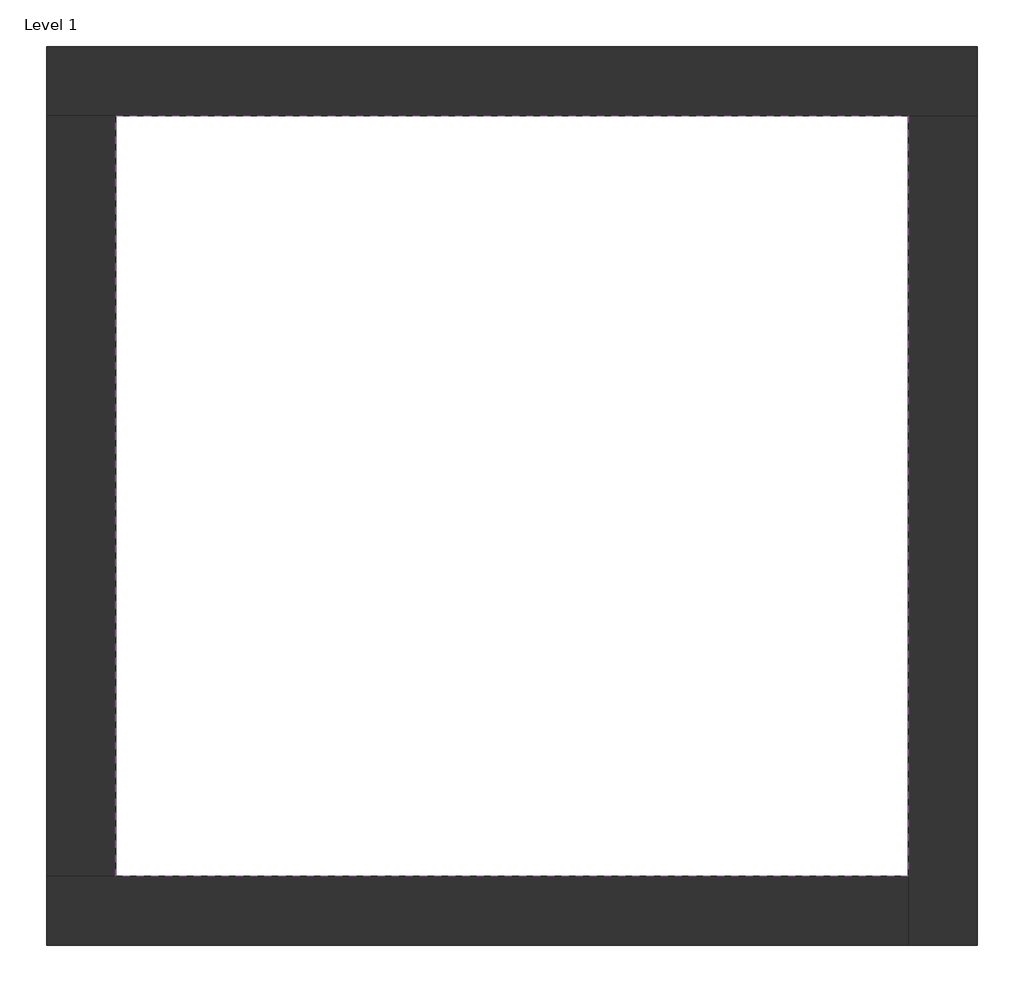
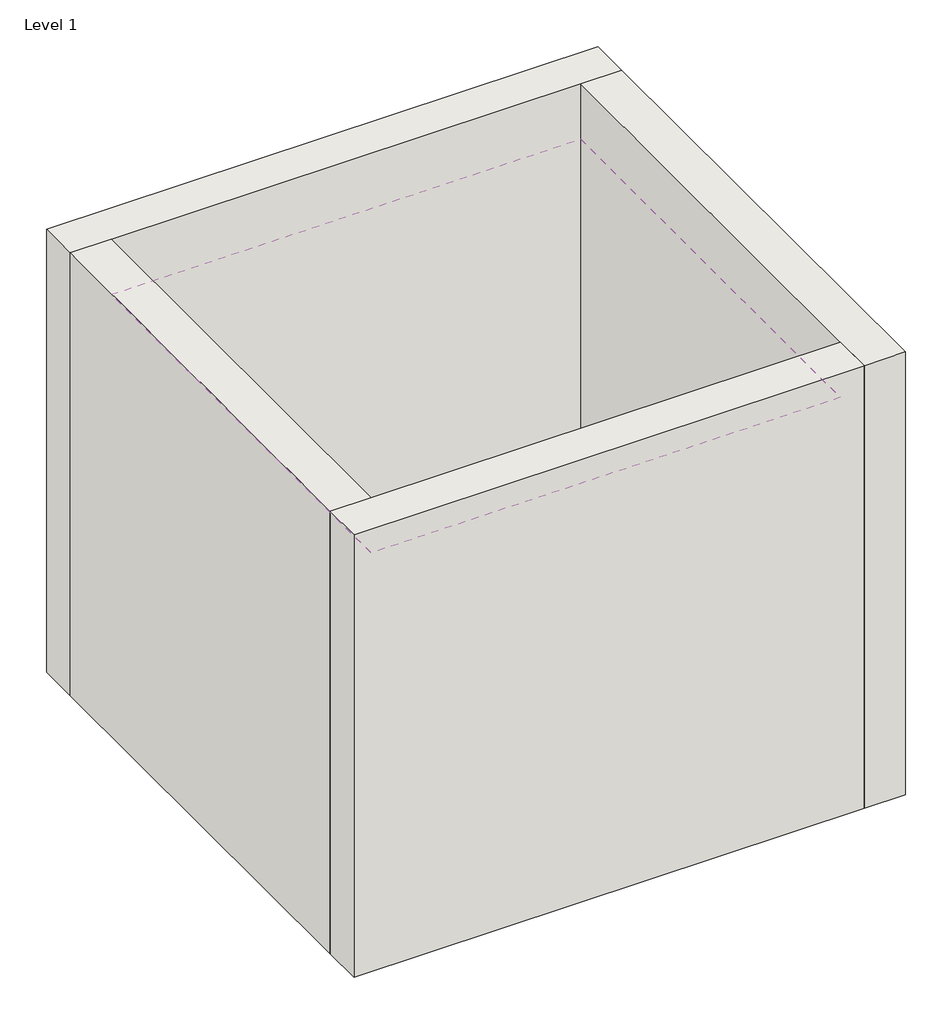
# One storey: 4 walls, 1 covering.
"""IFC4 building model written with IfcOpenShell, lengths in millimetres."""

from ifc_helpers import new_model, si_unit, frame, origin, origin_with_axes, place, context, project, spatial, polyline, outline, extrude, faceted_brep, element, save

model = new_model("IFC4")

# Units and contexts
model_context = context("Model", 3, world=origin())
ifc_project = project(units=[si_unit("LENGTHUNIT", "METRE", prefix="MILLI")], contexts=[model_context])

# Site, building, storey
site = spatial("IfcSite", under=ifc_project)
building = spatial("IfcBuilding", under=site)
storey = spatial("IfcBuildingStorey", under=building, Name="Level 1", Elevation=0.0)

# Covering
placement = place(None, origin())
element("IfcCovering", 1, at=placement, inside=storey, context=model_context, shape_type="SweptSolid", body=[
    extrude(outline(polyline([(-14894.8573003, 6921.2750283), (-10882.3573003, 6921.2750283), (-10882.3573003, 3071.2750283), (-14894.8573003, 3071.2750283), (-14894.8573003, 6921.2750283)])), frame((0.0, 0.0, 3500.0), z_axis=(0.0, 0.0, 1.0), x_axis=(1.0, 0.0, 0.0)), (0.0, 0.0, 1.0), 259.0),
])

# Walls
element("IfcWall", 2, ObjectType="Exterior - Brick on Mtl. Stud", at=placement, inside=storey, context=model_context, shape_type="Brep", body=[
    faceted_brep([(-15244.8573003, 6921.2750283, 0.0), (-14894.8573003, 6921.2750283, 0.0), (-10882.3573003, 6921.2750283, 0.0), (-10532.3573003, 6921.2750283, 0.0), (-10532.3573003, 6921.2750283, 4000.0), (-10882.3573003, 6921.2750283, 4000.0), (-14894.8573003, 6921.2750283, 4000.0), (-15244.8573003, 6921.2750283, 4000.0), (-15244.8573003, 7271.2750283, 0.0), (-15244.8573003, 7271.2750283, 4000.0), (-10532.3573003, 7271.2750283, 4000.0), (-10532.3573003, 7271.2750283, 0.0)], [[[0, 1, 2, 3, 4, 5, 6, 7]], [[8, 9, 10, 11]], [[3, 2, 1, 0, 8, 11]], [[7, 6, 5, 4, 10, 9]], [[0, 7, 9, 8]], [[4, 3, 11, 10]]]),
])
element("IfcWall", 3, ObjectType="Exterior - Brick on Mtl. Stud", at=placement, inside=storey, context=model_context, shape_type="Brep", body=[
    faceted_brep([(-10882.3573003, 6921.2750283, 0.0), (-10882.3573003, 3071.2750283, 0.0), (-10882.3573003, 2721.2750283, 0.0), (-10882.3573003, 2721.2750283, 4000.0), (-10882.3573003, 3071.2750283, 4000.0), (-10882.3573003, 6921.2750283, 4000.0), (-10532.3573003, 6921.2750283, 0.0), (-10532.3573003, 6921.2750283, 4000.0), (-10532.3573003, 2721.2750283, 4000.0), (-10532.3573003, 2721.2750283, 0.0)], [[[0, 1, 2, 3, 4, 5]], [[6, 7, 8, 9]], [[2, 1, 0, 6, 9]], [[5, 4, 3, 8, 7]], [[3, 2, 9, 8]], [[0, 5, 7, 6]]]),
])
element("IfcWall", 4, ObjectType="Exterior - Brick on Mtl. Stud", at=placement, inside=storey, context=model_context, shape_type="Brep", body=[
    faceted_brep([(-10882.3573003, 3071.2750283, 0.0), (-14894.8573003, 3071.2750283, 0.0), (-15244.8573003, 3071.2750283, 0.0), (-15244.8573003, 3071.2750283, 4000.0), (-14894.8573003, 3071.2750283, 4000.0), (-10882.3573003, 3071.2750283, 4000.0), (-10882.3573003, 2721.2750283, 0.0), (-10882.3573003, 2721.2750283, 4000.0), (-15244.8573003, 2721.2750283, 4000.0), (-15244.8573003, 2721.2750283, 0.0)], [[[0, 1, 2, 3, 4, 5]], [[6, 7, 8, 9]], [[2, 1, 0, 6, 9]], [[5, 4, 3, 8, 7]], [[3, 2, 9, 8]], [[0, 5, 7, 6]]]),
])
element("IfcWall", 5, ObjectType="Exterior - Brick on Mtl. Stud", at=placement, inside=storey, context=model_context, shape_type="SweptSolid", body=[
    extrude(outline(polyline([(-14894.8573003, 6921.2750283), (-14894.8573003, 3071.2750283), (-15244.8573003, 3071.2750283), (-15244.8573003, 6921.2750283), (-14894.8573003, 6921.2750283)])), origin_with_axes(), (0.0, 0.0, 1.0), 4000.0),
])

save(model, "model.ifc")
